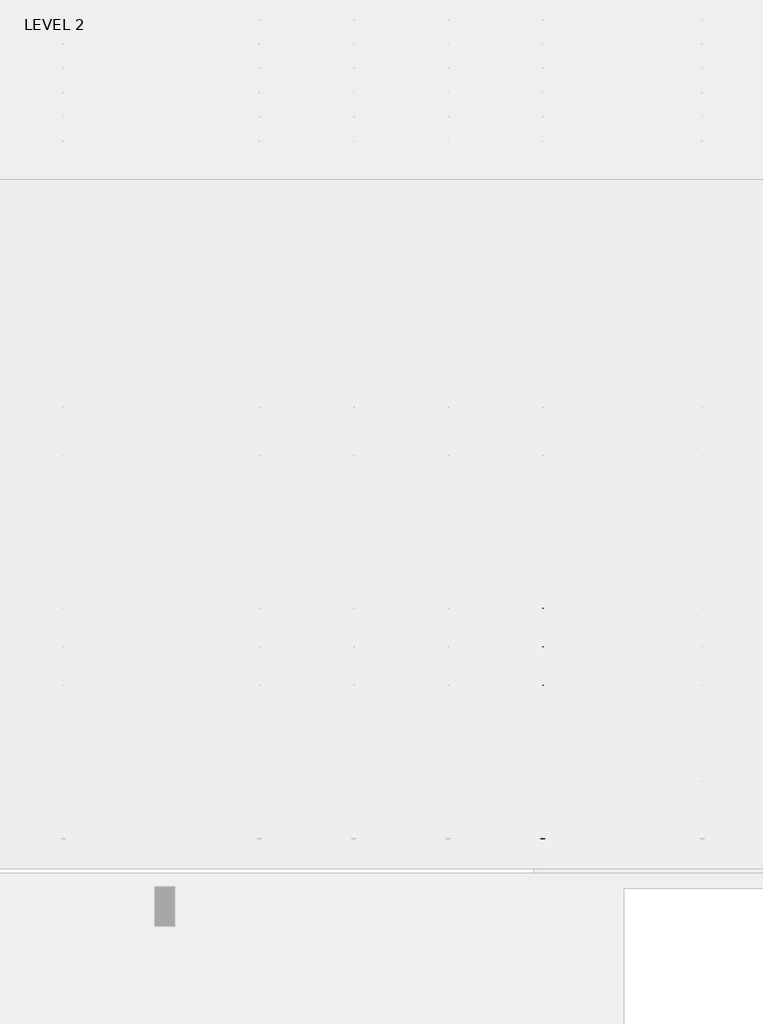
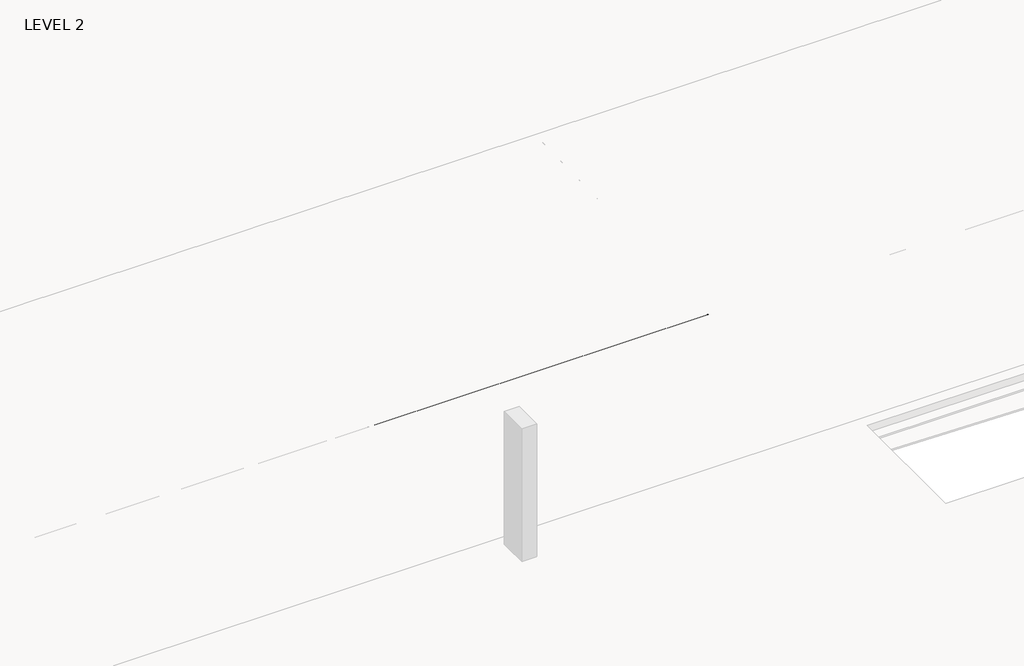
# One storey, part 43 of 67: 3 beams.
"""IFC4 building model written with IfcOpenShell, lengths in millimetres."""

import ifcopenshell
import ifcopenshell.guid

model = None  # the IFC model being written
_history = None  # IfcOwnerHistory: only IFC2X3 demands one
_inside = {}  # id of a spatial element -> (the spatial element, [elements in it])
_under = {}  # id of a project, library or spatial element -> (it, [spatial elements below it])
_declared = {}  # id of a project -> (the project, [libraries it declares])
_typed = {}  # id of a type object -> (the type object, [elements of that type])
_made_of = {}  # id of a material, layer set ... -> (it, [elements and type objects made of it])


def new_model(schema):
    """Start an empty IFC model of exactly this schema.

    Asked for "IFC4X3", IfcOpenShell would pick the latest addendum, in which some entities
    have other attributes; the version numbers below select the first issue.
    IFC2X3 requires an IfcOwnerHistory on every rooted entity: one is made here for all.
    """
    global model, _history
    if schema == "IFC4X3":
        model = ifcopenshell.file(schema_version=(4, 3, 0, 0))
    else:
        model = ifcopenshell.file(schema=schema)
    _inside.clear()
    _under.clear()
    _declared.clear()
    _typed.clear()
    _made_of.clear()
    _history = None
    if model.schema == "IFC2X3":
        org = make("IfcOrganization", Name="unknown")
        user = make(
            "IfcPersonAndOrganization",
            ThePerson=make("IfcPerson", FamilyName="unknown"),
            TheOrganization=org,
        )
        app = make(
            "IfcApplication",
            ApplicationDeveloper=org,
            Version="unknown",
            ApplicationFullName="unknown",
            ApplicationIdentifier="unknown",
        )
        _history = make(
            "IfcOwnerHistory",
            OwningUser=user,
            OwningApplication=app,
            ChangeAction="ADDED",
            CreationDate=0,
        )
    return model


def make(cls, **values):
    """One entity of the class cls with the attributes given. An attribute that is None is left unset."""
    return model.create_entity(
        cls, **{name: value for name, value in values.items() if value is not None}
    )


def rooted(cls, **values):
    """An entity with a GlobalId (a new one), such as an element, a storey or a relation."""
    return make(cls, GlobalId=ifcopenshell.guid.new(), OwnerHistory=_history, **values)


def si_unit(unit_type, name, prefix=None):
    """IfcSIUnit, for example si_unit("LENGTHUNIT", "METRE", prefix="MILLI")."""
    return make("IfcSIUnit", UnitType=unit_type, Prefix=prefix, Name=name)


def assignment(units):
    """IfcUnitAssignment: the units of a project."""
    return None if units is None else make("IfcUnitAssignment", Units=units)


def point(xyz):
    """IfcCartesianPoint."""
    return None if xyz is None else make("IfcCartesianPoint", Coordinates=xyz)


def direction(xyz):
    """IfcDirection."""
    return None if xyz is None else make("IfcDirection", DirectionRatios=xyz)


def frame(location, z_axis=None, x_axis=None):
    """IfcAxis2Placement3D, a coordinate frame: its origin and axes. An axis left out is left unset."""
    return make(
        "IfcAxis2Placement3D",
        Location=point(location),
        Axis=direction(z_axis),
        RefDirection=direction(x_axis),
    )


def frame_2d(location, x_axis=None):
    """IfcAxis2Placement2D, a coordinate frame in the plane: its origin and x axis."""
    return make(
        "IfcAxis2Placement2D", Location=point(location), RefDirection=direction(x_axis)
    )


def origin():
    """The frame at (0, 0, 0) with its axes left unset."""
    return frame((0.0, 0.0, 0.0))


def place(relative_to, where):
    """IfcLocalPlacement: puts the frame where relative to a parent placement (None: the world)."""
    return make(
        "IfcLocalPlacement", PlacementRelTo=relative_to, RelativePlacement=where
    )


def context(
    kind, dimensions, precision=None, world=None, true_north=None, identifier=None
):
    """IfcGeometricRepresentationContext, for example the 3D "Model" context."""
    return make(
        "IfcGeometricRepresentationContext",
        ContextIdentifier=identifier,
        ContextType=kind,
        CoordinateSpaceDimension=dimensions,
        Precision=precision,
        WorldCoordinateSystem=world,
        TrueNorth=true_north,
    )


def project(units=None, contexts=None):
    """IfcProject with its units and contexts."""
    return rooted(
        "IfcProject",
        Name="project",
        RepresentationContexts=contexts,
        UnitsInContext=assignment(units),
    )


def spatial(cls, under=None, at=None, **own):
    """A site, building, storey or space (cls), placed at a placement, below another one or the project."""
    s = rooted(cls, ObjectPlacement=at, **own)
    if under is not None:
        _under.setdefault(under.id(), (under, []))[1].append(s)
    return s


def polyline(points):
    """IfcPolyline through the points."""
    return make("IfcPolyline", Points=[point(p) for p in points])


def circle_curve(where, radius):
    """IfcCircle in the frame where."""
    return make("IfcCircle", Position=where, Radius=radius)


def ellipse_curve(where, semi_axis1, semi_axis2):
    """IfcEllipse in the frame where."""
    return make(
        "IfcEllipse", Position=where, SemiAxis1=semi_axis1, SemiAxis2=semi_axis2
    )


def trimmed(basis, trim1, trim2, sense, master):
    """IfcTrimmedCurve: the piece of a basis curve between two trims."""
    return make(
        "IfcTrimmedCurve",
        BasisCurve=basis,
        Trim1=trim1,
        Trim2=trim2,
        SenseAgreement=sense,
        MasterRepresentation=master,
    )


def segment(curve, same_sense, transition):
    """IfcCompositeCurveSegment."""
    return make(
        "IfcCompositeCurveSegment",
        Transition=transition,
        SameSense=same_sense,
        ParentCurve=curve,
    )


def composite_curve(segments, self_intersect=None):
    """IfcCompositeCurve: segments joined end to end."""
    return make("IfcCompositeCurve", Segments=segments, SelfIntersect=self_intersect)


def outline(outer, holes=None, kind="AREA"):
    """IfcArbitraryClosedProfileDef: a profile drawn as a closed curve; with holes, ...WithVoids."""
    if holes is None:
        return make("IfcArbitraryClosedProfileDef", ProfileType=kind, OuterCurve=outer)
    return make(
        "IfcArbitraryProfileDefWithVoids",
        ProfileType=kind,
        OuterCurve=outer,
        InnerCurves=holes,
    )


def extrude(swept, where, along, depth):
    """IfcExtrudedAreaSolid: the profile swept, set in the frame where, extruded along a direction by depth."""
    return make(
        "IfcExtrudedAreaSolid",
        SweptArea=swept,
        Position=where,
        ExtrudedDirection=direction(along),
        Depth=depth,
    )


def faces_of(points, faces, orient=None, outer=None):
    """IfcFace entities. A face is a list of loops; a loop is a list of indices into points, from 0.

    orient and outer hold one flag for each loop. By default every Orientation is true, the
    first loop of a face is its IfcFaceOuterBound and the others are IfcFaceBound.
    """
    made = []
    for i, loops in enumerate(faces):
        bounds = []
        for j, loop in enumerate(loops):
            is_outer = j == 0 if outer is None else outer[i][j]
            bounds.append(
                make(
                    "IfcFaceOuterBound" if is_outer else "IfcFaceBound",
                    Bound=make("IfcPolyLoop", Polygon=[points[k] for k in loop]),
                    Orientation=True if orient is None else orient[i][j],
                )
            )
        made.append(make("IfcFace", Bounds=bounds))
    return made


def faceted_brep(points, faces, orient=None, outer=None, voids=None):
    """IfcFacetedBrep: a solid bounded by flat faces; with voids (closed shells), ...WithVoids."""
    shared = [point(p) for p in points]
    hull = make("IfcClosedShell", CfsFaces=faces_of(shared, faces, orient, outer))
    if voids is None:
        return make("IfcFacetedBrep", Outer=hull)
    return make(
        "IfcFacetedBrepWithVoids",
        Outer=hull,
        Voids=[
            make(cls, CfsFaces=faces_of(shared, fs, o, b)) for cls, fs, o, b in voids
        ],
    )


def shape(context_of_items, identifier, shape_type, items):
    """IfcShapeRepresentation: the items that make up one representation, for example the "Body"."""
    return make(
        "IfcShapeRepresentation",
        ContextOfItems=context_of_items,
        RepresentationIdentifier=identifier,
        RepresentationType=shape_type,
        Items=items,
    )


def source(mapping_origin, context_of_items, identifier, shape_type, items):
    """IfcRepresentationMap: a shape defined once, which mapped items show again and again."""
    return make(
        "IfcRepresentationMap",
        MappingOrigin=mapping_origin,
        MappedRepresentation=shape(context_of_items, identifier, shape_type, items),
    )


def transform(
    local_origin,
    x_axis=None,
    y_axis=None,
    z_axis=None,
    scale=None,
    scale2=None,
    scale3=None,
    uniform=True,
):
    """IfcCartesianTransformationOperator3D, or its non-uniform kind. x_axis, y_axis, z_axis: its Axis1, 2, 3."""
    if uniform:
        return make(
            "IfcCartesianTransformationOperator3D",
            Axis1=direction(x_axis),
            Axis2=direction(y_axis),
            LocalOrigin=point(local_origin),
            Scale=scale,
            Axis3=direction(z_axis),
        )
    return make(
        "IfcCartesianTransformationOperator3DnonUniform",
        Axis1=direction(x_axis),
        Axis2=direction(y_axis),
        LocalOrigin=point(local_origin),
        Scale=scale,
        Axis3=direction(z_axis),
        Scale2=scale2,
        Scale3=scale3,
    )


def mapped(mapping_source, mapping_target):
    """IfcMappedItem: shows the shape of a source again, moved by a transform."""
    return make(
        "IfcMappedItem", MappingSource=mapping_source, MappingTarget=mapping_target
    )


def made_of(thing, what):
    """Note that an element or type object is made of a material, layer set ...; save() writes the relation."""
    if what is not None:
        _made_of.setdefault(what.id(), (what, []))[1].append(thing)
    return thing


def element(
    cls,
    number,
    at=None,
    inside=None,
    cuts=None,
    type_object=None,
    material=None,
    context=None,
    identifier="Body",
    shape_type=None,
    held_by="IfcProductDefinitionShape",
    body=None,
    shapes=None,
    **own,
):
    """One element of the class cls, such as IfcWall. Its Tag is "e" and its number.

    at: its placement. inside: the storey or other place that contains it. cuts: it is an
    opening in that element (IfcRelVoidsElement). A single representation is given by context,
    identifier, shape_type and body (its items); several are given by shapes. held_by: the class
    of the entity that holds the representations. save() writes the other relations.
    """
    e = rooted(cls, Tag="e%d" % number, ObjectPlacement=at, **own)
    if body is not None:
        shapes = [shape(context, identifier, shape_type, body)]
    if shapes is not None:
        e.Representation = make(held_by, Representations=shapes)
    if inside is not None:
        _inside.setdefault(inside.id(), (inside, []))[1].append(e)
    if cuts is not None:
        rooted(
            "IfcRelVoidsElement", RelatingBuildingElement=cuts, RelatedOpeningElement=e
        )
    if type_object is not None:
        _typed.setdefault(type_object.id(), (type_object, []))[1].append(e)
    return made_of(e, material)


def aggregate(whole, parts):
    """IfcRelAggregates: a whole, such as a stair, and the parts it consists of."""
    return rooted("IfcRelAggregates", RelatingObject=whole, RelatedObjects=parts)


def save(model, path):
    """Write the relations noted so far, then the file.

    IfcRelAggregates (storeys below a building ...), IfcRelContainedInSpatialStructure (elements
    in a storey), IfcRelDefinesByType, IfcRelAssociatesMaterial and IfcRelDeclares: one each for
    every whole, place, type object, material and project.
    """
    for whole, parts in _under.values():
        aggregate(whole, parts)
    for where, things in _inside.values():
        rooted(
            "IfcRelContainedInSpatialStructure",
            RelatedElements=things,
            RelatingStructure=where,
        )
    for kind, things in _typed.values():
        rooted("IfcRelDefinesByType", RelatedObjects=things, RelatingType=kind)
    for what, things in _made_of.values():
        rooted("IfcRelAssociatesMaterial", RelatedObjects=things, RelatingMaterial=what)
    for by, libraries in _declared.values():
        rooted("IfcRelDeclares", RelatingContext=by, RelatedDefinitions=libraries)
    model.write(path)


def plane_surface(at):
    """IfcPlane: the flat surface through the origin of the frame at, square to its z axis."""
    return make("IfcPlane", Position=at)


def revolved_surface(curve, axis_point, axis_direction):
    """IfcSurfaceOfRevolution: the curve turned about the line through axis_point along axis_direction."""
    return make(
        "IfcSurfaceOfRevolution",
        SweptCurve=make("IfcArbitraryOpenProfileDef", ProfileType="CURVE", Curve=curve),
        AxisPosition=make("IfcAxis1Placement", Location=point(axis_point), Axis=direction(axis_direction)),
    )


def advanced_brep(points, edges, surfaces, faces):
    """IfcAdvancedBrep: a solid bounded by faces that lie on surfaces and meet in shared edges.

    An edge is (start, end): straight between two places in points (the first is 0);
    or (start, end, curve); or (start, end, curve, False) where it runs against its curve.
    A face is (place in surfaces, loops), or (place, loops, False) where it looks against
    its surface's normal. A loop lists edges by number (the first is 1), with a minus sign
    where the edge is run from its end to its start. The first loop is the outer one.
    """
    corners = [point(p) for p in points]
    vertices = [make("IfcVertexPoint", VertexGeometry=c) for c in corners]
    made = []
    for start, end, *more in edges:
        made.append(
            make(
                "IfcEdgeCurve",
                EdgeStart=vertices[start],
                EdgeEnd=vertices[end],
                EdgeGeometry=more[0] if more else make("IfcPolyline", Points=[corners[start], corners[end]]),
                SameSense=more[1] if len(more) > 1 else True,
            )
        )
    hull = []
    for where, loops, *sense in faces:
        bounds = []
        for j, loop in enumerate(loops):
            ring = [make("IfcOrientedEdge", EdgeElement=made[abs(k) - 1], Orientation=k > 0) for k in loop]
            bounds.append(
                make(
                    "IfcFaceOuterBound" if j == 0 else "IfcFaceBound",
                    Bound=make("IfcEdgeLoop", EdgeList=ring),
                    Orientation=True,
                )
            )
        hull.append(make("IfcAdvancedFace", Bounds=bounds, FaceSurface=surfaces[where], SameSense=sense[0] if sense else True))
    return make("IfcAdvancedBrep", Outer=make("IfcClosedShell", CfsFaces=hull))


def w16x26_cc45c3c0(model_context):
    return source(origin(), model_context, "Body", "SweptSolid", [
        extrude(outline(composite_curve([segment(polyline([(69.85, -190.627), (69.85, -199.39), (-69.85, -199.39), (-69.85, -190.627), (-21.3995, -190.627)]), True, "CONTINUOUS"), segment(trimmed(circle_curve(frame_2d((-21.3995, -172.4025)), 18.2245), [point((-21.3995, -190.627))], [point((-3.175, -172.4025))], True, "CARTESIAN"), True, "CONTINUOUS"), segment(polyline([(-3.175, -172.4025), (-3.175, 172.4025)]), True, "CONTINUOUS"), segment(trimmed(circle_curve(frame_2d((-21.3995, 172.4025)), 18.2245), [point((-3.175, 172.4025))], [point((-21.3995, 190.627))], True, "CARTESIAN"), True, "CONTINUOUS"), segment(polyline([(-21.3995, 190.627), (-69.85, 190.627), (-69.85, 199.39), (69.85, 199.39), (69.85, 190.627), (21.3995, 190.627)]), True, "CONTINUOUS"), segment(trimmed(circle_curve(frame_2d((21.3995, 172.4025)), 18.2245), [point((21.3995, 190.627))], [point((3.175, 172.4025))], True, "CARTESIAN"), True, "CONTINUOUS"), segment(polyline([(3.175, 172.4025), (3.175, -172.4025)]), True, "CONTINUOUS"), segment(trimmed(circle_curve(frame_2d((21.3995, -172.4025)), 18.2245), [point((3.175, -172.4025))], [point((21.3995, -190.627))], True, "CARTESIAN"), True, "CONTINUOUS"), segment(polyline([(21.3995, -190.627), (69.85, -190.627)]), True, "CONTINUOUS")], self_intersect=False)), frame((-3822.7, 0.0, 0.0), z_axis=(1.0, 0.0, 0.0), x_axis=(0.0, 1.0, 0.0)), (0.0, 0.0, 1.0), 7785.1),
    ])


model = new_model("IFC4")

# Units and contexts
model_context = context("Model", 3, world=origin())
ifc_project = project(units=[si_unit("LENGTHUNIT", "METRE", prefix="MILLI")], contexts=[model_context])

# Site, building, storey
site = spatial("IfcSite", under=ifc_project)
building = spatial("IfcBuilding", under=site)
storey = spatial("IfcBuildingStorey", under=building, Name="LEVEL 2", Elevation=6908.8)

# Beams
placement = place(None, origin())
element("IfcBeam", 1, ObjectType="K-Series Bar Joist-Angle Web : 12K3", at=placement, inside=storey, context=model_context, shape_type="SolidModel", body=[
    extrude(outline(polyline([(0.0, -9.525), (0.0, 0.0), (573.7533355, 0.0), (573.7533355, -9.525), (0.0, -9.525)])), frame((47385.8014942, -9604.1227945, 6274.1671734), z_axis=(0.0, -0.48308851527800273, 0.8755715198694479), x_axis=(0.0, -0.8755715198694479, -0.48308851527800273)), (0.0, 0.0, 1.0), 9.525),
    extrude(outline(polyline([(0.0, -9.525), (0.0, 0.0), (573.7533355, 0.0), (573.7533355, -9.525), (0.0, -9.525)])), frame((47376.2764942, -14433.5123055, 6174.0312759), z_axis=(0.0, 0.44637950228858414, 0.894843751688861), x_axis=(0.0, 0.894843751688861, -0.44637950228858414)), (0.0, 0.0, 1.0), 9.525),
    extrude(outline(polyline([(4.7625, 4.7625), (4.7625, -4.7625), (-4.7625, -4.7625), (-4.7625, 4.7625), (4.7625, 4.7625)])), frame((47381.0389942, -10108.7855836, 6001.1634358), z_axis=(0.0, 0.5271021201119526, 0.8498019504410923), x_axis=(-1.0, 0.0, 0.0)), (0.0, 0.0, 1.0), 317.9950191),
    extrude(outline(polyline([(4.7625, 4.7625), (4.7625, -4.7625001), (-4.7625, -4.7625001), (-4.7625, 4.7625), (4.7625, 4.7625)])), frame((47381.0389942, -13917.9668359, 5922.1812409), z_axis=(0.0, -0.5618747002661082, 0.8272223529383567), x_axis=(-1.0, 0.0, 0.0)), (0.0, 0.0, 1.0), 317.9950191),
    extrude(outline(polyline([(0.0, 0.0), (31.75, 0.0), (31.75, -6.35), (6.35, -6.35), (6.35, -31.75), (0.0, -31.75), (0.0, 0.0)])), frame((47385.8014942, -14019.4133656, 5913.7264136), z_axis=(0.0, 0.9997851055909517, 0.02073023488747071), x_axis=(1.0, 0.0, 0.0)), (0.0, 0.0, 1.0), 4013.2),
    extrude(outline(polyline([(-9.525, 0.0), (-9.525, -31.75), (-15.875, -31.75), (-15.875, -6.35), (-41.275, -6.35), (-41.275, 0.0), (-9.525, 0.0)])), frame((47385.8014942, -14019.4133656, 5913.7264136), z_axis=(0.0, 0.9997851055909517, 0.02073023488747071), x_axis=(1.0, 0.0, 0.0)), (0.0, 0.0, 1.0), 4013.2),
    extrude(outline(polyline([(-31.75, 0.0), (0.0, 0.0), (0.0, -6.35), (-25.4, -6.35), (-25.4, -31.75), (-31.75, -31.75), (-31.75, 0.0)])), frame((47417.5514942, -14532.3064049, 6144.4436003), z_axis=(0.0, 0.9997851055909517, 0.02073023488747071), x_axis=(1.0, 0.0, 0.0)), (0.0, 0.0, 1.0), 101.6),
    extrude(outline(polyline([(-41.275, 0.0), (-41.275, -31.75), (-47.625, -31.75), (-47.625, -6.35), (-73.025, -6.35), (-73.025, 0.0), (-41.275, 0.0)])), frame((47417.5514942, -14532.3064049, 6144.4436003), z_axis=(0.0, 0.9997851055909517, 0.02073023488747071), x_axis=(1.0, 0.0, 0.0)), (0.0, 0.0, 1.0), 101.6),
    extrude(outline(polyline([(0.0, 0.0), (31.75, 0.0), (31.75, -6.35), (6.35, -6.35), (6.35, -31.75), (0.0, -31.75), (0.0, 0.0)])), frame((47376.2764942, -9605.7653186, 6246.5939057), z_axis=(0.0, 0.9997851055909517, 0.02073023488747071), x_axis=(0.0, -0.02073023488747071, 0.9997851055909517)), (0.0, 0.0, 1.0), 101.6),
    extrude(outline(polyline([(0.0, 41.275), (6.35, 41.275), (6.35, 15.875), (31.75, 15.875), (31.75, 9.525), (0.0, 9.525), (0.0, 41.275)])), frame((47376.2764942, -9605.7653186, 6246.5939057), z_axis=(0.0, 0.9997851055909517, 0.02073023488747071), x_axis=(0.0, -0.02073023488747071, 0.9997851055909517)), (0.0, 0.0, 1.0), 101.6),
    extrude(outline(polyline([(0.0, 0.0), (31.75, 0.0), (31.75, -6.35), (6.35, -6.35), (6.35, -31.75), (0.0, -31.75), (0.0, 0.0)])), frame((47385.8014942, -14533.6227748, 6207.9299545), z_axis=(0.0, 0.9997851055909517, 0.02073023488747071), x_axis=(0.0, 0.02073023488747071, -0.9997851055909517)), (0.0, 0.0, 1.0), 5029.2),
    extrude(outline(polyline([(0.0, 9.525), (0.0, 41.275), (6.35, 41.275), (6.35, 15.875), (31.75, 15.875), (31.75, 9.525), (0.0, 9.525)])), frame((47385.8014942, -14533.6227748, 6207.9299545), z_axis=(0.0, 0.9997851055909517, 0.02073023488747071), x_axis=(0.0, 0.02073023488747071, -0.9997851055909517)), (0.0, 0.0, 1.0), 5029.2),
    faceted_brep([(47381.0389942, -10109.114676, 6017.0350244), (47381.0389942, -10108.7197651, 5997.9891181), (47376.2764942, -10108.7197651, 5997.9891181), (47376.2764942, -10109.114676, 6017.0350244), (47381.0389942, -10109.9510625, 6017.0176822), (47381.0389942, -10276.1904217, 6293.0308149), (47381.0389942, -10294.3999415, 6292.6532461), (47381.0389942, -10294.0050305, 6273.6073399), (47381.0389942, -10286.8200086, 6273.7563191), (47381.0389942, -10120.5806494, 5997.7431863), (47376.2764942, -10120.5806494, 5997.7431863), (47376.2764942, -10141.3605693, 6032.2448279), (47376.2764942, -10137.2808829, 6034.7019736), (47376.2764942, -10273.294904, 6260.5309003), (47376.2764942, -10277.3745905, 6258.0737547), (47376.2764942, -10286.8200086, 6273.7563191), (47376.2764942, -10294.0050305, 6273.6073399), (47376.2764942, -10294.3999415, 6292.6532461), (47376.2764942, -10276.1904217, 6293.0308149), (47376.2764942, -10109.9510625, 6017.0176822), (47363.5764942, -10277.3745905, 6258.0737547), (47363.5764942, -10141.3605693, 6032.2448279), (47363.5764942, -10137.2808829, 6034.7019736), (47363.5764942, -10273.294904, 6260.5309003)], [[[0, 1, 2, 3]], [[1, 0, 4, 5, 6, 7, 8, 9]], [[2, 1, 9, 10]], [[3, 2, 10, 11, 12, 13, 14, 15, 16, 17, 18, 19]], [[0, 3, 19, 4]], [[9, 8, 15, 14, 20, 21, 11, 10]], [[5, 4, 19, 18]], [[7, 6, 17, 16]], [[8, 7, 16, 15]], [[6, 5, 18, 17]], [[21, 22, 12, 11]], [[20, 14, 13, 23]], [[22, 21, 20, 23]], [[12, 22, 23, 13]]]),
    extrude(outline(polyline([(-10455.0089698, 5990.8089186), (-10455.4038808, 6009.8548248), (-10454.5674943, 6009.872167), (-10299.9121904, 6292.5389513), (-10281.7026706, 6292.9165201), (-10281.3077596, 6273.8706138), (-10288.4927815, 6273.7216346), (-10443.1480854, 5991.0548503), (-10455.0089698, 5990.8089186)])), frame((47381.0389942, 0.0, 0.0), z_axis=(1.0, 0.0, 0.0), x_axis=(0.0, 1.0, 0.0)), (0.0, 0.0, 1.0), 4.7625),
    extrude(outline(polyline([(-4.7625, 4.7625), (-4.7625, 0.0), (-17.4625, 0.0), (-17.4625, 4.7625), (-4.7625, 4.7625)])), frame((47381.0389942, -10423.8161725, 6026.3881984), z_axis=(0.0, 0.4799841217599757, 0.8772771756168657), x_axis=(-1.0, 0.0, 0.0)), (0.0, 0.0, 1.0), 263.6257159),
    faceted_brep([(47381.0389942, -13572.0067236, 5945.233029), (47381.0389942, -13571.6118126, 5926.1871227), (47376.2764942, -13571.6118126, 5926.1871227), (47376.2764942, -13572.0067236, 5945.233029), (47381.0389942, -13572.8431101, 5945.2156868), (47381.0389942, -13739.0824692, 6221.2288195), (47381.0389942, -13757.291989, 6220.8512507), (47381.0389942, -13756.897078, 6201.8053445), (47381.0389942, -13749.7120561, 6201.9543237), (47381.0389942, -13583.472697, 5925.941191), (47376.2764942, -13583.472697, 5925.941191), (47376.2764942, -13604.2526169, 5960.4428325), (47376.2764942, -13600.1729304, 5962.8999782), (47376.2764942, -13736.1869515, 6188.7289049), (47376.2764942, -13740.266638, 6186.2717593), (47376.2764942, -13749.7120561, 6201.9543237), (47376.2764942, -13756.897078, 6201.8053445), (47376.2764942, -13757.291989, 6220.8512507), (47376.2764942, -13739.0824692, 6221.2288195), (47376.2764942, -13572.8431101, 5945.2156868), (47363.5764942, -13740.266638, 6186.2717593), (47363.5764942, -13604.2526169, 5960.4428325), (47363.5764942, -13600.1729304, 5962.8999782), (47363.5764942, -13736.1869515, 6188.7289049)], [[[0, 1, 2, 3]], [[1, 0, 4, 5, 6, 7, 8, 9]], [[2, 1, 9, 10]], [[3, 2, 10, 11, 12, 13, 14, 15, 16, 17, 18, 19]], [[0, 3, 19, 4]], [[9, 8, 15, 14, 20, 21, 11, 10]], [[5, 4, 19, 18]], [[7, 6, 17, 16]], [[8, 7, 16, 15]], [[6, 5, 18, 17]], [[21, 22, 12, 11]], [[20, 14, 13, 23]], [[22, 21, 20, 23]], [[12, 22, 23, 13]]]),
    extrude(outline(polyline([(-13917.9010174, 5919.0069232), (-13918.2959283, 5938.0528295), (-13917.4595419, 5938.0701717), (-13762.804238, 6220.736956), (-13744.5947182, 6221.1145247), (-13744.1998072, 6202.0686185), (-13751.3848291, 6201.9196392), (-13906.040133, 5919.252855), (-13917.9010174, 5919.0069232)])), frame((47381.0389942, 0.0, 0.0), z_axis=(1.0, 0.0, 0.0), x_axis=(0.0, 1.0, 0.0)), (0.0, 0.0, 1.0), 4.7625),
    extrude(outline(polyline([(-4.7625, 4.7625001), (-4.7625, 0.0), (-17.4625, 0.0), (-17.4625, 4.7625001), (-4.7625, 4.7625001)])), frame((47381.0389942, -13886.70822, 5954.586203), z_axis=(0.0, 0.4799841217599757, 0.8772771756168657), x_axis=(-1.0, 0.0, 0.0)), (0.0, 0.0, 1.0), 263.6257159),
    faceted_brep([(47381.0389942, -10455.4038808, 6009.8548248), (47381.0389942, -10455.0089698, 5990.8089186), (47376.2764942, -10455.0089698, 5990.8089186), (47376.2764942, -10455.4038808, 6009.8548248), (47381.0389942, -10456.2402673, 6009.8374826), (47381.0389942, -10622.4796264, 6285.8506153), (47381.0389942, -10640.6891462, 6285.4730466), (47381.0389942, -10640.2942352, 6266.4271403), (47381.0389942, -10633.1092134, 6266.5761195), (47381.0389942, -10466.8698542, 5990.5629868), (47376.2764942, -10466.8698542, 5990.5629868), (47376.2764942, -10487.6497741, 6025.0646284), (47376.2764942, -10483.5700876, 6027.521774), (47376.2764942, -10619.5841088, 6253.3507008), (47376.2764942, -10623.6637952, 6250.8935552), (47376.2764942, -10633.1092134, 6266.5761195), (47376.2764942, -10640.2942352, 6266.4271403), (47376.2764942, -10640.6891462, 6285.4730466), (47376.2764942, -10622.4796264, 6285.8506153), (47376.2764942, -10456.2402673, 6009.8374826), (47363.5764942, -10623.6637952, 6250.8935552), (47363.5764942, -10487.6497741, 6025.0646284), (47363.5764942, -10483.5700876, 6027.521774), (47363.5764942, -10619.5841088, 6253.3507008)], [[[0, 1, 2, 3]], [[1, 0, 4, 5, 6, 7, 8, 9]], [[2, 1, 9, 10]], [[3, 2, 10, 11, 12, 13, 14, 15, 16, 17, 18, 19]], [[0, 3, 19, 4]], [[9, 8, 15, 14, 20, 21, 11, 10]], [[5, 4, 19, 18]], [[7, 6, 17, 16]], [[8, 7, 16, 15]], [[6, 5, 18, 17]], [[21, 22, 12, 11]], [[20, 14, 13, 23]], [[22, 21, 20, 23]], [[12, 22, 23, 13]]]),
    extrude(outline(polyline([(-10801.2981746, 5983.628719), (-10801.6930855, 6002.6746253), (-10800.8566991, 6002.6919675), (-10646.2013952, 6285.3587518), (-10627.9918754, 6285.7363206), (-10627.5969644, 6266.6904143), (-10634.7819863, 6266.5414351), (-10789.4372902, 5983.8746508), (-10801.2981746, 5983.628719)])), frame((47381.0389942, 0.0, 0.0), z_axis=(1.0, 0.0, 0.0), x_axis=(0.0, 1.0, 0.0)), (0.0, 0.0, 1.0), 4.7625),
    extrude(outline(polyline([(-4.7625, 4.7625001), (-4.7625, 0.0), (-17.4625, 0.0), (-17.4625, 4.7625001), (-4.7625, 4.7625001)])), frame((47381.0389942, -10770.1053772, 6019.2079988), z_axis=(0.0, 0.4799841217599757, 0.8772771756168657), x_axis=(-1.0, 0.0, 0.0)), (0.0, 0.0, 1.0), 263.6257159),
    faceted_brep([(47381.0389942, -10801.6930855, 6002.6746253), (47381.0389942, -10801.2981746, 5983.628719), (47376.2764942, -10801.2981746, 5983.628719), (47376.2764942, -10801.6930855, 6002.6746253), (47381.0389942, -10802.529472, 6002.6572831), (47381.0389942, -10968.7688312, 6278.6704158), (47381.0389942, -10986.978351, 6278.292847), (47381.0389942, -10986.58344, 6259.2469408), (47381.0389942, -10979.3984181, 6259.39592), (47381.0389942, -10813.1590589, 5983.3827873), (47376.2764942, -10813.1590589, 5983.3827873), (47376.2764942, -10833.9389788, 6017.8844289), (47376.2764942, -10829.8592924, 6020.3415745), (47376.2764942, -10965.8733135, 6246.1705013), (47376.2764942, -10969.953, 6243.7133556), (47376.2764942, -10979.3984181, 6259.39592), (47376.2764942, -10986.58344, 6259.2469408), (47376.2764942, -10986.978351, 6278.292847), (47376.2764942, -10968.7688312, 6278.6704158), (47376.2764942, -10802.529472, 6002.6572831), (47363.5764942, -10969.953, 6243.7133556), (47363.5764942, -10833.9389788, 6017.8844289), (47363.5764942, -10829.8592924, 6020.3415745), (47363.5764942, -10965.8733135, 6246.1705013)], [[[0, 1, 2, 3]], [[1, 0, 4, 5, 6, 7, 8, 9]], [[2, 1, 9, 10]], [[3, 2, 10, 11, 12, 13, 14, 15, 16, 17, 18, 19]], [[0, 3, 19, 4]], [[9, 8, 15, 14, 20, 21, 11, 10]], [[5, 4, 19, 18]], [[7, 6, 17, 16]], [[8, 7, 16, 15]], [[6, 5, 18, 17]], [[21, 22, 12, 11]], [[20, 14, 13, 23]], [[22, 21, 20, 23]], [[12, 22, 23, 13]]]),
    extrude(outline(polyline([(-11147.5873793, 5976.4485195), (-11147.9822903, 5995.4944258), (-11147.1459038, 5995.511768), (-10992.4905999, 6278.1785523), (-10974.2810801, 6278.556121), (-10973.8861692, 6259.5102148), (-10981.071191, 6259.3612356), (-11135.726495, 5976.6944513), (-11147.5873793, 5976.4485195)])), frame((47381.0389942, 0.0, 0.0), z_axis=(1.0, 0.0, 0.0), x_axis=(0.0, 1.0, 0.0)), (0.0, 0.0, 1.0), 4.7625),
    extrude(outline(polyline([(-4.7625, 4.7625), (-4.7625, 0.0), (-17.4625, 0.0), (-17.4625, 4.7625), (-4.7625, 4.7625)])), frame((47381.0389942, -11116.394582, 6012.0277993), z_axis=(0.0, 0.4799841217599757, 0.8772771756168657), x_axis=(-1.0, 0.0, 0.0)), (0.0, 0.0, 1.0), 263.6257159),
    faceted_brep([(47381.0389942, -11147.9822903, 5995.4944258), (47381.0389942, -11147.5873793, 5976.4485195), (47376.2764942, -11147.5873793, 5976.4485195), (47376.2764942, -11147.9822903, 5995.4944258), (47381.0389942, -11148.8186768, 5995.4770835), (47381.0389942, -11315.0580359, 6271.4902163), (47381.0389942, -11333.2675557, 6271.1126475), (47381.0389942, -11332.8726447, 6252.0667412), (47381.0389942, -11325.6876229, 6252.2157204), (47381.0389942, -11159.4482637, 5976.2025877), (47376.2764942, -11159.4482637, 5976.2025877), (47376.2764942, -11180.2281836, 6010.7042293), (47376.2764942, -11176.1484971, 6013.1613749), (47376.2764942, -11312.1625183, 6238.9903017), (47376.2764942, -11316.2422047, 6236.5331561), (47376.2764942, -11325.6876229, 6252.2157204), (47376.2764942, -11332.8726447, 6252.0667412), (47376.2764942, -11333.2675557, 6271.1126475), (47376.2764942, -11315.0580359, 6271.4902163), (47376.2764942, -11148.8186768, 5995.4770835), (47363.5764942, -11316.2422047, 6236.5331561), (47363.5764942, -11180.2281836, 6010.7042293), (47363.5764942, -11176.1484971, 6013.1613749), (47363.5764942, -11312.1625183, 6238.9903017)], [[[0, 1, 2, 3]], [[1, 0, 4, 5, 6, 7, 8, 9]], [[2, 1, 9, 10]], [[3, 2, 10, 11, 12, 13, 14, 15, 16, 17, 18, 19]], [[0, 3, 19, 4]], [[9, 8, 15, 14, 20, 21, 11, 10]], [[5, 4, 19, 18]], [[7, 6, 17, 16]], [[8, 7, 16, 15]], [[6, 5, 18, 17]], [[21, 22, 12, 11]], [[20, 14, 13, 23]], [[22, 21, 20, 23]], [[12, 22, 23, 13]]]),
    extrude(outline(polyline([(-11493.8765841, 5969.26832), (-11494.2714951, 5988.3142262), (-11493.4351086, 5988.3315684), (-11338.7798047, 6270.9983527), (-11320.5702849, 6271.3759215), (-11320.1753739, 6252.3300152), (-11327.3603958, 6252.181036), (-11482.0156997, 5969.5142517), (-11493.8765841, 5969.26832)])), frame((47381.0389942, 0.0, 0.0), z_axis=(1.0, 0.0, 0.0), x_axis=(0.0, 1.0, 0.0)), (0.0, 0.0, 1.0), 4.7625),
    extrude(outline(polyline([(-4.7625, 4.7625), (-4.7625, 0.0), (-17.4625, 0.0), (-17.4625, 4.7625), (-4.7625, 4.7625)])), frame((47381.0389942, -11462.6837867, 6004.8475998), z_axis=(0.0, 0.4799841217599757, 0.8772771756168657), x_axis=(-1.0, 0.0, 0.0)), (0.0, 0.0, 1.0), 263.6257159),
    faceted_brep([(47381.0389942, -11494.2714951, 5988.3142262), (47381.0389942, -11493.8765841, 5969.26832), (47376.2764942, -11493.8765841, 5969.26832), (47376.2764942, -11494.2714951, 5988.3142262), (47381.0389942, -11495.1078815, 5988.296884), (47381.0389942, -11661.3472407, 6264.3100167), (47381.0389942, -11679.5567605, 6263.932448), (47381.0389942, -11679.1618495, 6244.8865417), (47381.0389942, -11671.9768276, 6245.0355209), (47381.0389942, -11505.7374685, 5969.0223882), (47376.2764942, -11505.7374685, 5969.0223882), (47376.2764942, -11526.5173883, 6003.5240298), (47376.2764942, -11522.4377019, 6005.9811754), (47376.2764942, -11658.451723, 6231.8101022), (47376.2764942, -11662.5314095, 6229.3529565), (47376.2764942, -11671.9768276, 6245.0355209), (47376.2764942, -11679.1618495, 6244.8865417), (47376.2764942, -11679.5567605, 6263.932448), (47376.2764942, -11661.3472407, 6264.3100167), (47376.2764942, -11495.1078815, 5988.296884), (47363.5764942, -11662.5314095, 6229.3529565), (47363.5764942, -11526.5173883, 6003.5240298), (47363.5764942, -11522.4377019, 6005.9811754), (47363.5764942, -11658.451723, 6231.8101022)], [[[0, 1, 2, 3]], [[1, 0, 4, 5, 6, 7, 8, 9]], [[2, 1, 9, 10]], [[3, 2, 10, 11, 12, 13, 14, 15, 16, 17, 18, 19]], [[0, 3, 19, 4]], [[9, 8, 15, 14, 20, 21, 11, 10]], [[5, 4, 19, 18]], [[7, 6, 17, 16]], [[8, 7, 16, 15]], [[6, 5, 18, 17]], [[21, 22, 12, 11]], [[20, 14, 13, 23]], [[22, 21, 20, 23]], [[12, 22, 23, 13]]]),
    extrude(outline(polyline([(-11840.1657888, 5962.0881204), (-11840.5606998, 5981.1340267), (-11839.7243133, 5981.1513689), (-11685.0690094, 6263.8181532), (-11666.8594896, 6264.1957219), (-11666.4645787, 6245.1498157), (-11673.6496006, 6245.0008365), (-11828.3049045, 5962.3340522), (-11840.1657888, 5962.0881204)])), frame((47381.0389942, 0.0, 0.0), z_axis=(1.0, 0.0, 0.0), x_axis=(0.0, 1.0, 0.0)), (0.0, 0.0, 1.0), 4.7625),
    extrude(outline(polyline([(-4.7625, 4.7625), (-4.7625, 0.0), (-17.4625, 0.0), (-17.4625, 4.7625), (-4.7625, 4.7625)])), frame((47381.0389942, -11808.9729915, 5997.6674002), z_axis=(0.0, 0.4799841217599757, 0.8772771756168657), x_axis=(-1.0, 0.0, 0.0)), (0.0, 0.0, 1.0), 263.6257159),
    faceted_brep([(47381.0389942, -11840.5606998, 5981.1340267), (47381.0389942, -11840.1657888, 5962.0881204), (47376.2764942, -11840.1657888, 5962.0881204), (47376.2764942, -11840.5606998, 5981.1340267), (47381.0389942, -11841.3970863, 5981.1166845), (47381.0389942, -12007.6364454, 6257.1298172), (47381.0389942, -12025.8459652, 6256.7522484), (47381.0389942, -12025.4510543, 6237.7063422), (47381.0389942, -12018.2660324, 6237.8553214), (47381.0389942, -11852.0266732, 5961.8421887), (47376.2764942, -11852.0266732, 5961.8421887), (47376.2764942, -11872.8065931, 5996.3438302), (47376.2764942, -11868.7269066, 5998.8009759), (47376.2764942, -12004.7409278, 6224.6299026), (47376.2764942, -12008.8206142, 6222.172757), (47376.2764942, -12018.2660324, 6237.8553214), (47376.2764942, -12025.4510543, 6237.7063422), (47376.2764942, -12025.8459652, 6256.7522484), (47376.2764942, -12007.6364454, 6257.1298172), (47376.2764942, -11841.3970863, 5981.1166845), (47363.5764942, -12008.8206142, 6222.172757), (47363.5764942, -11872.8065931, 5996.3438302), (47363.5764942, -11868.7269066, 5998.8009759), (47363.5764942, -12004.7409278, 6224.6299026)], [[[0, 1, 2, 3]], [[1, 0, 4, 5, 6, 7, 8, 9]], [[2, 1, 9, 10]], [[3, 2, 10, 11, 12, 13, 14, 15, 16, 17, 18, 19]], [[0, 3, 19, 4]], [[9, 8, 15, 14, 20, 21, 11, 10]], [[5, 4, 19, 18]], [[7, 6, 17, 16]], [[8, 7, 16, 15]], [[6, 5, 18, 17]], [[21, 22, 12, 11]], [[20, 14, 13, 23]], [[22, 21, 20, 23]], [[12, 22, 23, 13]]]),
    extrude(outline(polyline([(-12186.4549936, 5954.9079209), (-12186.8499046, 5973.9538271), (-12186.0135181, 5973.9711694), (-12031.3582142, 6256.6379536), (-12013.1486944, 6257.0155224), (-12012.7537834, 6237.9696161), (-12019.9388053, 6237.8206369), (-12174.5941092, 5955.1538527), (-12186.4549936, 5954.9079209)])), frame((47381.0389942, 0.0, 0.0), z_axis=(1.0, 0.0, 0.0), x_axis=(0.0, 1.0, 0.0)), (0.0, 0.0, 1.0), 4.7625),
    extrude(outline(polyline([(-4.7625, 4.7625001), (-4.7625, 0.0), (-17.4625, 0.0), (-17.4625, 4.7625001), (-4.7625, 4.7625001)])), frame((47381.0389942, -12155.2621962, 5990.4872007), z_axis=(0.0, 0.4799841217599757, 0.8772771756168657), x_axis=(-1.0, 0.0, 0.0)), (0.0, 0.0, 1.0), 263.6257159),
    faceted_brep([(47381.0389942, -12186.8499046, 5973.9538271), (47381.0389942, -12186.4549936, 5954.9079209), (47376.2764942, -12186.4549936, 5954.9079209), (47376.2764942, -12186.8499046, 5973.9538271), (47381.0389942, -12187.686291, 5973.9364849), (47381.0389942, -12353.9256502, 6249.9496176), (47381.0389942, -12372.13517, 6249.5720489), (47381.0389942, -12371.740259, 6230.5261426), (47381.0389942, -12364.5552371, 6230.6751218), (47381.0389942, -12198.315878, 5954.6619891), (47376.2764942, -12198.315878, 5954.6619891), (47376.2764942, -12219.0957979, 5989.1636307), (47376.2764942, -12215.0161114, 5991.6207763), (47376.2764942, -12351.0301325, 6217.4497031), (47376.2764942, -12355.109819, 6214.9925575), (47376.2764942, -12364.5552371, 6230.6751218), (47376.2764942, -12371.740259, 6230.5261426), (47376.2764942, -12372.13517, 6249.5720489), (47376.2764942, -12353.9256502, 6249.9496176), (47376.2764942, -12187.686291, 5973.9364849), (47363.5764942, -12355.109819, 6214.9925575), (47363.5764942, -12219.0957979, 5989.1636307), (47363.5764942, -12215.0161114, 5991.6207763), (47363.5764942, -12351.0301325, 6217.4497031)], [[[0, 1, 2, 3]], [[1, 0, 4, 5, 6, 7, 8, 9]], [[2, 1, 9, 10]], [[3, 2, 10, 11, 12, 13, 14, 15, 16, 17, 18, 19]], [[0, 3, 19, 4]], [[9, 8, 15, 14, 20, 21, 11, 10]], [[5, 4, 19, 18]], [[7, 6, 17, 16]], [[8, 7, 16, 15]], [[6, 5, 18, 17]], [[21, 22, 12, 11]], [[20, 14, 13, 23]], [[22, 21, 20, 23]], [[12, 22, 23, 13]]]),
    extrude(outline(polyline([(-12532.7441983, 5947.7277213), (-12533.1391093, 5966.7736276), (-12532.3027228, 5966.7909698), (-12377.6474189, 6249.4577541), (-12359.4378991, 6249.8353229), (-12359.0429882, 6230.7894166), (-12366.2280101, 6230.6404374), (-12520.883314, 5947.9736531), (-12532.7441983, 5947.7277213)])), frame((47381.0389942, 0.0, 0.0), z_axis=(1.0, 0.0, 0.0), x_axis=(0.0, 1.0, 0.0)), (0.0, 0.0, 1.0), 4.7625),
    extrude(outline(polyline([(-4.7625, 4.7625), (-4.7625, 0.0), (-17.4625, 0.0), (-17.4625, 4.7625), (-4.7625, 4.7625)])), frame((47381.0389942, -12501.551401, 5983.3070011), z_axis=(0.0, 0.4799841217599757, 0.8772771756168657), x_axis=(-1.0, 0.0, 0.0)), (0.0, 0.0, 1.0), 263.6257159),
    faceted_brep([(47381.0389942, -12533.1391093, 5966.7736276), (47381.0389942, -12532.7441983, 5947.7277213), (47376.2764942, -12532.7441983, 5947.7277213), (47376.2764942, -12533.1391093, 5966.7736276), (47381.0389942, -12533.9754958, 5966.7562854), (47381.0389942, -12700.214855, 6242.7694181), (47381.0389942, -12718.4243747, 6242.3918493), (47381.0389942, -12718.0294638, 6223.3459431), (47381.0389942, -12710.8444419, 6223.4949223), (47381.0389942, -12544.6050827, 5947.4817896), (47376.2764942, -12544.6050827, 5947.4817896), (47376.2764942, -12565.3850026, 5981.9834312), (47376.2764942, -12561.3053162, 5984.4405768), (47376.2764942, -12697.3193373, 6210.2695036), (47376.2764942, -12701.3990237, 6207.8123579), (47376.2764942, -12710.8444419, 6223.4949223), (47376.2764942, -12718.0294638, 6223.3459431), (47376.2764942, -12718.4243747, 6242.3918493), (47376.2764942, -12700.214855, 6242.7694181), (47376.2764942, -12533.9754958, 5966.7562854), (47363.5764942, -12701.3990237, 6207.8123579), (47363.5764942, -12565.3850026, 5981.9834312), (47363.5764942, -12561.3053162, 5984.4405768), (47363.5764942, -12697.3193373, 6210.2695036)], [[[0, 1, 2, 3]], [[1, 0, 4, 5, 6, 7, 8, 9]], [[2, 1, 9, 10]], [[3, 2, 10, 11, 12, 13, 14, 15, 16, 17, 18, 19]], [[0, 3, 19, 4]], [[9, 8, 15, 14, 20, 21, 11, 10]], [[5, 4, 19, 18]], [[7, 6, 17, 16]], [[8, 7, 16, 15]], [[6, 5, 18, 17]], [[21, 22, 12, 11]], [[20, 14, 13, 23]], [[22, 21, 20, 23]], [[12, 22, 23, 13]]]),
    extrude(outline(polyline([(-12879.0334031, 5940.5475218), (-12879.4283141, 5959.5934281), (-12878.5919276, 5959.6107703), (-12723.9366237, 6242.2775546), (-12705.7271039, 6242.6551233), (-12705.3321929, 6223.6092171), (-12712.5172148, 6223.4602379), (-12867.1725187, 5940.7934536), (-12879.0334031, 5940.5475218)])), frame((47381.0389942, 0.0, 0.0), z_axis=(1.0, 0.0, 0.0), x_axis=(0.0, 1.0, 0.0)), (0.0, 0.0, 1.0), 4.7625),
    extrude(outline(polyline([(-4.7625, 4.7625001), (-4.7625, 0.0), (-17.4625, 0.0), (-17.4625, 4.7625001), (-4.7625, 4.7625001)])), frame((47381.0389942, -12847.8406057, 5976.1268016), z_axis=(0.0, 0.4799841217599757, 0.8772771756168657), x_axis=(-1.0, 0.0, 0.0)), (0.0, 0.0, 1.0), 263.6257159),
    faceted_brep([(47381.0389942, -12879.4283141, 5959.5934281), (47381.0389942, -12879.0334031, 5940.5475218), (47376.2764942, -12879.0334031, 5940.5475218), (47376.2764942, -12879.4283141, 5959.5934281), (47381.0389942, -12880.2647005, 5959.5760859), (47381.0389942, -13046.5040597, 6235.5892186), (47381.0389942, -13064.7135795, 6235.2116498), (47381.0389942, -13064.3186685, 6216.1657435), (47381.0389942, -13057.1336466, 6216.3147228), (47381.0389942, -12890.8942875, 5940.30159), (47376.2764942, -12890.8942875, 5940.30159), (47376.2764942, -12911.6742074, 5974.8032316), (47376.2764942, -12907.5945209, 5977.2603773), (47376.2764942, -13043.608542, 6203.089304), (47376.2764942, -13047.6882285, 6200.6321584), (47376.2764942, -13057.1336466, 6216.3147228), (47376.2764942, -13064.3186685, 6216.1657435), (47376.2764942, -13064.7135795, 6235.2116498), (47376.2764942, -13046.5040597, 6235.5892186), (47376.2764942, -12880.2647005, 5959.5760859), (47363.5764942, -13047.6882285, 6200.6321584), (47363.5764942, -12911.6742074, 5974.8032316), (47363.5764942, -12907.5945209, 5977.2603773), (47363.5764942, -13043.608542, 6203.089304)], [[[0, 1, 2, 3]], [[1, 0, 4, 5, 6, 7, 8, 9]], [[2, 1, 9, 10]], [[3, 2, 10, 11, 12, 13, 14, 15, 16, 17, 18, 19]], [[0, 3, 19, 4]], [[9, 8, 15, 14, 20, 21, 11, 10]], [[5, 4, 19, 18]], [[7, 6, 17, 16]], [[8, 7, 16, 15]], [[6, 5, 18, 17]], [[21, 22, 12, 11]], [[20, 14, 13, 23]], [[22, 21, 20, 23]], [[12, 22, 23, 13]]]),
    extrude(outline(polyline([(-13225.3226079, 5933.3673223), (-13225.7175188, 5952.4132285), (-13224.8811324, 5952.4305707), (-13070.2258284, 6235.097355), (-13052.0163087, 6235.4749238), (-13051.6213977, 6216.4290175), (-13058.8064196, 6216.2800383), (-13213.4617235, 5933.613254), (-13225.3226079, 5933.3673223)])), frame((47381.0389942, 0.0, 0.0), z_axis=(1.0, 0.0, 0.0), x_axis=(0.0, 1.0, 0.0)), (0.0, 0.0, 1.0), 4.7625),
    extrude(outline(polyline([(-4.7625, 4.7625), (-4.7625, 0.0), (-17.4625, 0.0), (-17.4625, 4.7625), (-4.7625, 4.7625)])), frame((47381.0389942, -13194.1298105, 5968.9466021), z_axis=(0.0, 0.4799841217599757, 0.8772771756168657), x_axis=(-1.0, 0.0, 0.0)), (0.0, 0.0, 1.0), 263.6257159),
    faceted_brep([(47381.0389942, -13225.7175188, 5952.4132285), (47381.0389942, -13225.3226079, 5933.3673223), (47376.2764942, -13225.3226079, 5933.3673223), (47376.2764942, -13225.7175188, 5952.4132285), (47381.0389942, -13226.5539053, 5952.3958863), (47381.0389942, -13392.7932645, 6228.409019), (47381.0389942, -13411.0027843, 6228.0314503), (47381.0389942, -13410.6078733, 6208.985544), (47381.0389942, -13403.4228514, 6209.1345232), (47381.0389942, -13237.1834922, 5933.1213905), (47376.2764942, -13237.1834922, 5933.1213905), (47376.2764942, -13257.9634121, 5967.6230321), (47376.2764942, -13253.8837257, 5970.0801777), (47376.2764942, -13389.8977468, 6195.9091045), (47376.2764942, -13393.9774333, 6193.4519589), (47376.2764942, -13403.4228514, 6209.1345232), (47376.2764942, -13410.6078733, 6208.985544), (47376.2764942, -13411.0027843, 6228.0314503), (47376.2764942, -13392.7932645, 6228.409019), (47376.2764942, -13226.5539053, 5952.3958863), (47363.5764942, -13393.9774333, 6193.4519589), (47363.5764942, -13257.9634121, 5967.6230321), (47363.5764942, -13253.8837257, 5970.0801777), (47363.5764942, -13389.8977468, 6195.9091045)], [[[0, 1, 2, 3]], [[1, 0, 4, 5, 6, 7, 8, 9]], [[2, 1, 9, 10]], [[3, 2, 10, 11, 12, 13, 14, 15, 16, 17, 18, 19]], [[0, 3, 19, 4]], [[9, 8, 15, 14, 20, 21, 11, 10]], [[5, 4, 19, 18]], [[7, 6, 17, 16]], [[8, 7, 16, 15]], [[6, 5, 18, 17]], [[21, 22, 12, 11]], [[20, 14, 13, 23]], [[22, 21, 20, 23]], [[12, 22, 23, 13]]]),
    extrude(outline(polyline([(-13571.6118126, 5926.1871227), (-13572.0067236, 5945.233029), (-13571.1703371, 5945.2503712), (-13416.5150332, 6227.9171555), (-13398.3055134, 6228.2947243), (-13397.9106024, 6209.248818), (-13405.0956243, 6209.0998388), (-13559.7509282, 5926.4330545), (-13571.6118126, 5926.1871227)])), frame((47381.0389942, 0.0, 0.0), z_axis=(1.0, 0.0, 0.0), x_axis=(0.0, 1.0, 0.0)), (0.0, 0.0, 1.0), 4.7625),
    extrude(outline(polyline([(-4.7625, 4.7625001), (-4.7625, 0.0), (-17.4625, 0.0), (-17.4625, 4.7625001), (-4.7625, 4.7625001)])), frame((47381.0389942, -13540.4190152, 5961.7664025), z_axis=(0.0, 0.4799841217599757, 0.8772771756168657), x_axis=(-1.0, 0.0, 0.0)), (0.0, 0.0, 1.0), 263.6257159),
])
w16x26_shape = w16x26_cc45c3c0(model_context)
element("IfcBeam", 2, ObjectType="W16x26", at=placement, inside=storey, context=model_context, shape_type="MappedRepresentation", body=[
    mapped(w16x26_shape, transform((44536.2389942, -9504.9631483, 6049.3076563), x_axis=(1.0, 0.0, 0.0), y_axis=(0.0, 1.0, 0.0), z_axis=(0.0, 0.0, 1.0))),
])
element("IfcBeam", 3, ObjectType="W27x84", at=placement, inside=storey, context=model_context, shape_type="AdvancedBrep", body=[
    advanced_brep(
    [(40603.1124942, -2568.3370771, 5794.1882699), (40700.8389942, -2568.3370771, 5794.1882699), (40700.8389942, -2568.3370771, 5777.9287631), (40446.8389942, -2568.3370771, 5777.9287631), (40446.8389942, -2568.3370771, 5794.1882699), (40544.5654942, -2568.3370771, 5794.1882699), (40567.9969942, -2568.3370771, 5817.6248246), (40567.9969942, -2568.3370771, 6416.5590007), (40544.5654942, -2568.3370771, 6439.9955554), (40446.8389942, -2568.3370771, 6439.9955554), (40446.8389942, -2568.3370771, 6456.2550622), (40700.8389942, -2568.3370771, 6456.2550622), (40700.8389942, -2568.3370771, 6439.9955554), (40603.1124942, -2568.3370771, 6439.9955554), (40579.6809942, -2568.3370771, 6416.5590007), (40579.6809942, -2568.3370771, 5817.6248246), (40700.8389942, -14523.3905643, 5545.8530566), (40603.1124942, -14523.3905643, 5545.8530566), (40579.6809942, -14523.8771879, 5569.2795029), (40579.6809942, -14536.3131252, 6167.9553547), (40603.1124942, -14536.7997489, 6191.3818011), (40700.8389942, -14536.7997489, 6191.3818011), (40700.8389942, -14537.1373522, 6207.634295), (40446.8389942, -14537.1373522, 6207.634295), (40446.8389942, -14536.7997489, 6191.3818011), (40544.5654942, -14536.7997489, 6191.3818011), (40567.9969942, -14536.3131252, 6167.9553547), (40567.9969942, -14523.8771879, 5569.2795029), (40544.5654942, -14523.3905643, 5545.8530566), (40446.8389942, -14523.3905643, 5545.8530566), (40446.8389942, -14523.0529609, 5529.6005626), (40700.8389942, -14523.0529609, 5529.6005626)],
    [
        (0, 1),
        (1, 2),
        (2, 3),
        (3, 4),
        (4, 5),
        (5, 6, ellipse_curve(frame((40544.5654942, -2568.3370771, 5817.6248246), z_axis=(0.0, -1.0, 0.0), x_axis=(0.0, 0.0, 0.9999999999999999)), 23.4365547, 23.4315)),
        (6, 7),
        (7, 8, ellipse_curve(frame((40544.5654942, -2568.3370771, 6416.5590007), z_axis=(0.0, -1.0, 0.0), x_axis=(0.0, 0.0, 0.9999999999999999)), 23.4365547, 23.4315)),
        (8, 9),
        (9, 10),
        (10, 11),
        (11, 12),
        (12, 13),
        (13, 14, ellipse_curve(frame((40603.1124942, -2568.3370771, 6416.5590007), z_axis=(0.0, -1.0, 0.0), x_axis=(0.0, 0.0, 0.9999999999999999)), 23.4365547, 23.4315)),
        (14, 15),
        (15, 0, ellipse_curve(frame((40603.1124942, -2568.3370771, 5817.6248246), z_axis=(0.0, -1.0, 0.0), x_axis=(0.0, 0.0, 0.9999999999999999)), 23.4365547, 23.4315)),
        (16, 17),
        (17, 18, circle_curve(frame((40603.1124942, -14523.8771879, 5569.2795029), z_axis=(0.0, 0.9997843233890994, 0.02076792491802676), x_axis=(-1.0, 0.0, 0.0)), 23.4315)),
        (18, 19),
        (19, 20, circle_curve(frame((40603.1124942, -14536.3131252, 6167.9553547), z_axis=(0.0, 0.9997843233890994, 0.02076792491802676), x_axis=(0.0, -0.020767924918026825, 0.9997843233890994)), 23.4315)),
        (20, 21),
        (21, 22),
        (22, 23),
        (23, 24),
        (24, 25),
        (25, 26, circle_curve(frame((40544.5654942, -14536.3131252, 6167.9553547), z_axis=(0.0, 0.9997843233890994, 0.02076792491802676), x_axis=(1.0, 0.0, 0.0)), 23.4315)),
        (26, 27),
        (27, 28, circle_curve(frame((40544.5654942, -14523.8771879, 5569.2795029), z_axis=(0.0, 0.9997843233890994, 0.02076792491802676), x_axis=(0.0, 0.020767924918026825, -0.9997843233890994)), 23.4315)),
        (28, 29),
        (29, 30),
        (30, 31),
        (31, 16),
        (16, 1),
        (0, 17),
        (15, 18),
        (14, 19),
        (13, 20),
        (12, 21),
        (11, 22),
        (10, 23),
        (9, 24),
        (8, 25),
        (7, 26),
        (6, 27),
        (5, 28),
        (4, 29),
        (3, 30),
        (2, 31),
    ],
    [
        plane_surface(frame((22575.8860601, -2568.3370771, 6456.2550622), z_axis=(0.0, 1.0, 0.0), x_axis=(0.0, 0.0, 1.0))),
        plane_surface(frame((40573.8389942, -14530.0951566, 5868.6174288), z_axis=(0.0, -0.9997843233890994, -0.020767924918026825), x_axis=(0.0, -0.020767924918026825, 0.9997843233890994))),
        plane_surface(frame((40651.9757442, -14523.3905643, 5545.8530566), z_axis=(0.0, -0.02076792491802676, 0.9997843233890994), x_axis=(-1.0, 0.0, 0.0))),
        revolved_surface(polyline([(40579.6809942, -2567.85045346665, 5817.634932896072), (40579.6809942, -14523.877187931177, 5569.279502899352)]), (40603.1124942, -14523.8771879, 5569.2795029), (0.0, 0.9997843233890994, 0.02076792491802676)),
        plane_surface(frame((40579.6809942, -14530.0951566, 5868.6174288), z_axis=(1.0, 0.0, 0.0), x_axis=(0.0, -0.020767924918026825, 0.9997843233890994))),
        revolved_surface(polyline([(40603.1124942, -2568.337077099919, 6439.9955553962), (40603.1124942, -14536.79974889942, 6191.381801072106)]), (40603.1124942, -14536.3131252, 6167.9553547), (0.0, 0.9997843233890994, 0.02076792491802676)),
        plane_surface(frame((40651.9757442, -14536.7997489, 6191.3818011), z_axis=(0.0, 0.02076792491802676, -0.9997843233890994), x_axis=(1.0, 0.0, 0.0))),
        plane_surface(frame((40700.8389942, -14536.9685506, 6199.5080481), z_axis=(1.0, 0.0, 0.0), x_axis=(0.0, -0.020767924918026825, 0.9997843233890994))),
        plane_surface(frame((40573.8389942, -14537.1373522, 6207.634295), z_axis=(0.0, -0.02076792491802676, 0.9997843233890994), x_axis=(-1.0, 0.0, 0.0))),
        plane_surface(frame((40446.8389942, -14536.9685506, 6199.5080481), z_axis=(-1.0, 0.0, 0.0), x_axis=(0.0, 0.020767924918026825, -0.9997843233890994))),
        plane_surface(frame((40495.7022442, -14536.7997489, 6191.3818011), z_axis=(0.0, 0.02076792491802676, -0.9997843233890994), x_axis=(1.0, 0.0, 0.0))),
        revolved_surface(polyline([(40567.996994199995, -2567.850453467203, 6416.569109022708), (40567.996994199995, -14536.313125266704, 6167.955354698614)]), (40544.5654942, -14536.3131252, 6167.9553547), (0.0, 0.9997843233890994, 0.02076792491802676)),
        plane_surface(frame((40567.9969942, -14530.0951566, 5868.6174288), z_axis=(-1.0, 0.0, 0.0), x_axis=(0.0, 0.020767924918026825, -0.9997843233890994))),
        revolved_surface(polyline([(40544.5654942, -2567.363829833934, 5794.208486522581), (40544.5654942, -14523.390564298461, 5545.853056525861)]), (40544.5654942, -14523.8771879, 5569.2795029), (0.0, 0.9997843233890994, 0.02076792491802676)),
        plane_surface(frame((40495.7022442, -14523.3905643, 5545.8530566), z_axis=(0.0, -0.02076792491802676, 0.9997843233890994), x_axis=(-1.0, 0.0, 0.0))),
        plane_surface(frame((40446.8389942, -14523.2217626, 5537.7268096), z_axis=(-1.0, 0.0, 0.0), x_axis=(0.0, 0.020767924918026825, -0.9997843233890994))),
        plane_surface(frame((40573.8389942, -14523.0529609, 5529.6005626), z_axis=(0.0, 0.02076792491802676, -0.9997843233890994), x_axis=(1.0, 0.0, 0.0))),
        plane_surface(frame((40700.8389942, -14523.2217626, 5537.7268096), z_axis=(1.0, 0.0, 0.0), x_axis=(0.0, -0.020767924918026825, 0.9997843233890994))),
    ],
    [
        (0, [[1, 2, 3, 4, 5, 6, 7, 8, 9, 10, 11, 12, 13, 14, 15, 16]]),
        (1, [[17, 18, 19, 20, 21, 22, 23, 24, 25, 26, 27, 28, 29, 30, 31, 32]]),
        (2, [[-17, 33, -1, 34]]),
        (3, [[-18, -34, -16, 35]]),
        (4, [[-19, -35, -15, 36]]),
        (5, [[-20, -36, -14, 37]]),
        (6, [[-21, -37, -13, 38]]),
        (7, [[-22, -38, -12, 39]]),
        (8, [[-23, -39, -11, 40]]),
        (9, [[-24, -40, -10, 41]]),
        (10, [[-25, -41, -9, 42]]),
        (11, [[-26, -42, -8, 43]]),
        (12, [[-27, -43, -7, 44]]),
        (13, [[-28, -44, -6, 45]]),
        (14, [[-29, -45, -5, 46]]),
        (15, [[-30, -46, -4, 47]]),
        (16, [[-31, -47, -3, 48]]),
        (17, [[-32, -48, -2, -33]]),
    ],
),
])

save(model, "model.ifc")
